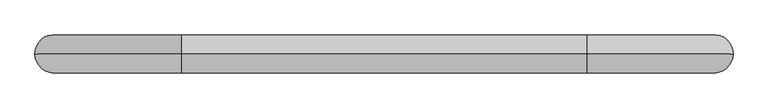
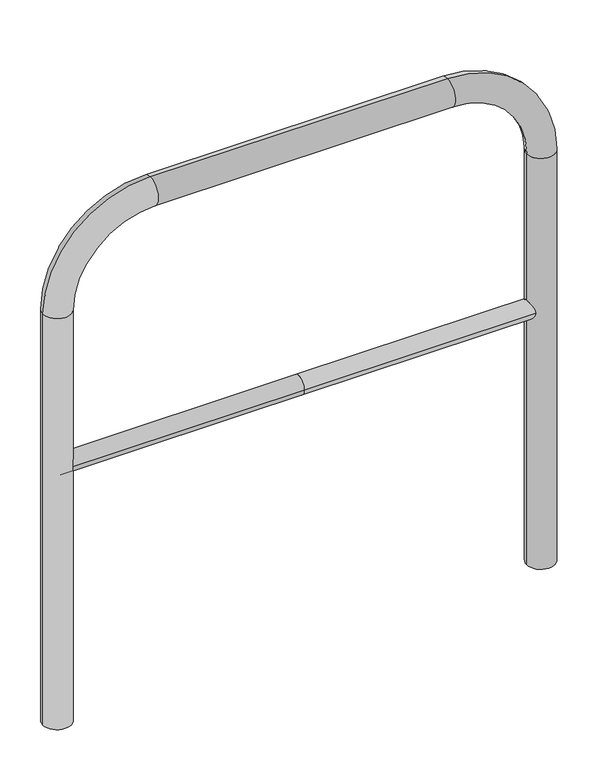
"""IFC4 building model written with IfcOpenShell, lengths in millimetres: proxy geometry."""

from ifc_helpers import new_model, si_unit, point, frame, frame_2d, origin, place, context, project, spatial, circle_curve, ellipse_curve, trimmed, segment, composite_curve, outline, extrude, source, transform, mapped, element, save
from ifc_brep_helpers import plane_surface, cylinder_surface, revolved_surface, advanced_brep


def generic_models_317a3198(model_context):
    return source(origin(), model_context, "Body", "SolidModel", [
        extrude(outline(composite_curve([segment(trimmed(circle_curve(frame_2d((0.0, 498.4778375)), 20.0), [point((-20.0, 498.4778375))], [point((20.0, 498.4778375))], False, "CARTESIAN"), True, "CONTINUOUS"), segment(trimmed(circle_curve(frame_2d((0.0, 498.4778375)), 20.0), [point((20.0, 498.4778375))], [point((-20.0, 498.4778375))], False, "CARTESIAN"), True, "CONTINUOUS")], self_intersect=False)), frame((-518.2144394, 0.0, 0.0), z_axis=(1.0, 0.0, 0.0), x_axis=(0.0, 1.0, 0.0)), (0.0, 0.0, 1.0), 518.2144394),
        extrude(outline(composite_curve([segment(trimmed(circle_curve(frame_2d((0.0, 498.4778375)), 20.0), [point((-20.0, 498.4778375))], [point((20.0, 498.4778375))], False, "CARTESIAN"), True, "CONTINUOUS"), segment(trimmed(circle_curve(frame_2d((0.0, 498.4778375)), 20.0), [point((20.0, 498.4778375))], [point((-20.0, 498.4778375))], False, "CARTESIAN"), True, "CONTINUOUS")], self_intersect=False)), frame((0.0, 0.0, 0.0), z_axis=(1.0, 0.0, 0.0), x_axis=(0.0, 1.0, 0.0)), (0.0, 0.0, 1.0), 518.2144394),
        advanced_brep(
        [(-488.2144394, 0.0, -80.0), (-548.2144394, 0.0, -80.0), (-488.2144394, 0.0, 850.0), (-548.2144394, 0.0, 850.0), (-318.2144394, 0.0, 1080.0), (-318.2144394, 0.0, 1020.0), (318.2144394, 0.0, 1020.0), (318.2144394, 0.0, 1080.0), (548.2144394, 0.0, 850.0), (488.2144394, 0.0, 850.0), (488.2144394, 0.0, -80.0), (548.2144394, 0.0, -80.0)],
        [
            (0, 1, circle_curve(frame((-518.2144394, 0.0, -80.0), z_axis=(0.0, 0.0, -1.0), x_axis=(-1.0, 0.0, 0.0)), 30.0)),
            (1, 0, circle_curve(frame((-518.2144394, 0.0, -80.0), z_axis=(0.0, 0.0, -1.0), x_axis=(-1.0, 0.0, 0.0)), 30.0)),
            (0, 2),
            (2, 3, circle_curve(frame((-518.2144394, 0.0, 850.0), z_axis=(0.0, 0.0, -1.0), x_axis=(-1.0, 0.0, 0.0)), 30.0)),
            (3, 1),
            (3, 2, circle_curve(frame((-518.2144394, 0.0, 850.0), z_axis=(0.0, 0.0, -1.0), x_axis=(-1.0, 0.0, 0.0)), 30.0)),
            (4, 3, circle_curve(frame((-318.2144394, 0.0, 850.0), z_axis=(0.0, -1.0, 0.0), x_axis=(-1.0, 0.0, 0.0)), 230.0)),
            (2, 5, circle_curve(frame((-318.2144394, 0.0, 850.0), z_axis=(0.0, 1.0, 0.0), x_axis=(-1.0, 0.0, 0.0)), 170.0)),
            (5, 4, circle_curve(frame((-318.2144394, 0.0, 1050.0), z_axis=(-1.0, 0.0, 0.0), x_axis=(0.0, 0.0, 1.0)), 30.0)),
            (4, 5, circle_curve(frame((-318.2144394, 0.0, 1050.0), z_axis=(-1.0, 0.0, 0.0), x_axis=(0.0, 0.0, 1.0)), 30.0)),
            (5, 6),
            (6, 7, circle_curve(frame((318.2144394, 0.0, 1050.0), z_axis=(-1.0, 0.0, 0.0), x_axis=(0.0, 0.0, 1.0)), 30.0)),
            (7, 4),
            (7, 6, circle_curve(frame((318.2144394, 0.0, 1050.0), z_axis=(-1.0, 0.0, 0.0), x_axis=(0.0, 0.0, 1.0)), 30.0)),
            (8, 7, circle_curve(frame((318.2144394, 0.0, 850.0), z_axis=(0.0, -1.0, 0.0), x_axis=(0.0, 0.0, 1.0)), 230.0)),
            (6, 9, circle_curve(frame((318.2144394, 0.0, 850.0), z_axis=(0.0, 1.0, 0.0), x_axis=(0.0, 0.0, 1.0)), 170.0)),
            (9, 8, circle_curve(frame((518.2144394, 0.0, 850.0), z_axis=(0.0, 0.0, 1.0), x_axis=(1.0, 0.0, 0.0)), 30.0)),
            (8, 9, circle_curve(frame((518.2144394, 0.0, 850.0), z_axis=(0.0, 0.0, 1.0), x_axis=(1.0, 0.0, 0.0)), 30.0)),
            (10, 11, circle_curve(frame((518.2144394, 0.0, -80.0), z_axis=(0.0, 0.0, -1.0), x_axis=(1.0, 0.0, 0.0)), 30.0)),
            (11, 10, circle_curve(frame((518.2144394, 0.0, -80.0), z_axis=(0.0, 0.0, -1.0), x_axis=(1.0, 0.0, 0.0)), 30.0)),
            (9, 10),
            (11, 8),
        ],
        [
            plane_surface(frame((-518.2144394, 0.0, -80.0), z_axis=(0.0, 0.0, -1.0), x_axis=(0.0, -1.0, 0.0))),
            cylinder_surface(frame((-518.2144394, 0.0, -80.0), z_axis=(0.0, 0.0, -1.0), x_axis=(-1.0, 0.0, 0.0)), 30.0),
            revolved_surface(trimmed(ellipse_curve(frame((-518.2144394, 0.0, 850.0), z_axis=(0.0, 0.0, -1.0), x_axis=(-1.0, 0.0, 0.0)), 30.0, 30.0), [point((-488.2144394, 0.0, 850.0))], [point((-548.2144394, 0.0, 850.0))], True, "CARTESIAN"), (-318.2144394, 0.0, 850.0), (0.0, 1.0, 0.0)),
            revolved_surface(trimmed(ellipse_curve(frame((-518.2144394, 0.0, 850.0), z_axis=(0.0, 0.0, -1.0), x_axis=(-1.0, 0.0, 0.0)), 30.0, 30.0), [point((-548.2144394, 0.0, 850.0))], [point((-488.2144394, 0.0, 850.0))], True, "CARTESIAN"), (-318.2144394, 0.0, 850.0), (0.0, 1.0, 0.0)),
            cylinder_surface(frame((-318.2144394, 0.0, 1050.0), z_axis=(-1.0, 0.0, 0.0), x_axis=(0.0, 0.0, 1.0)), 30.0),
            revolved_surface(trimmed(ellipse_curve(frame((318.2144394, 0.0, 1050.0), z_axis=(-1.0, 0.0, 0.0), x_axis=(0.0, 0.0, 1.0)), 30.0, 30.0), [point((318.2144394, 0.0, 1020.0))], [point((318.2144394, 0.0, 1080.0))], True, "CARTESIAN"), (318.2144394, 0.0, 850.0), (0.0, 1.0, 0.0)),
            revolved_surface(trimmed(ellipse_curve(frame((318.2144394, 0.0, 1050.0), z_axis=(-1.0, 0.0, 0.0), x_axis=(0.0, 0.0, 1.0)), 30.0, 30.0), [point((318.2144394, 0.0, 1080.0))], [point((318.2144394, 0.0, 1020.0))], True, "CARTESIAN"), (318.2144394, 0.0, 850.0), (0.0, 1.0, 0.0)),
            plane_surface(frame((518.2144394, 0.0, -80.0), z_axis=(0.0, 0.0, -1.0), x_axis=(0.0, -1.0, 0.0))),
            cylinder_surface(frame((518.2144394, 0.0, 850.0), z_axis=(0.0, 0.0, 1.0), x_axis=(1.0, 0.0, 0.0)), 30.0),
        ],
        [
            (0, [[1, 2]]),
            (1, [[-1, 3, 4, 5]]),
            (1, [[-2, -5, 6, -3]]),
            (2, [[7, -4, 8, 9]]),
            (3, [[-8, -6, -7, 10]]),
            (4, [[-9, 11, 12, 13]]),
            (4, [[-10, -13, 14, -11]]),
            (5, [[15, -12, 16, 17]]),
            (6, [[-16, -14, -15, 18]]),
            (7, [[19, 20]]),
            (8, [[-17, 21, -20, 22]]),
            (8, [[-18, -22, -19, -21]]),
        ],
    ),
    ])


if __name__ == "__main__":
    model = new_model("IFC4")
    model_context = context("Model", 3, world=origin())
    ifc_project = project(units=[si_unit("LENGTHUNIT", "METRE", prefix="MILLI")], contexts=[model_context])
    site = spatial("IfcSite", under=ifc_project)
    building = spatial("IfcBuilding", under=site)
    placement = place(None, origin())
    generic_models_shape = generic_models_317a3198(model_context)
    element("IfcBuildingElementProxy", 1, Name="Generic Models", at=placement, inside=building, context=model_context, shape_type="MappedRepresentation", body=[
        mapped(generic_models_shape, transform((0.0, 0.0, 0.0), x_axis=(1.0, 0.0, 0.0), y_axis=(0.0, 1.0, 0.0), z_axis=(0.0, 0.0, 1.0))),
    ])
    save(model, "model.ifc")
